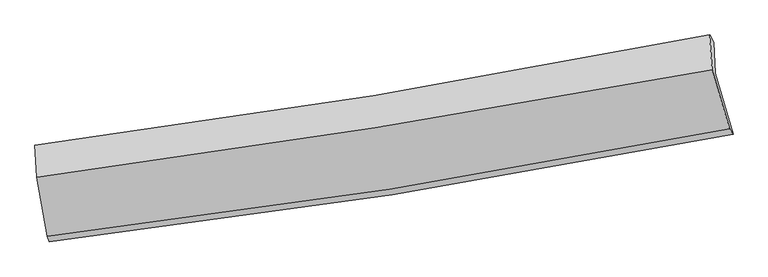
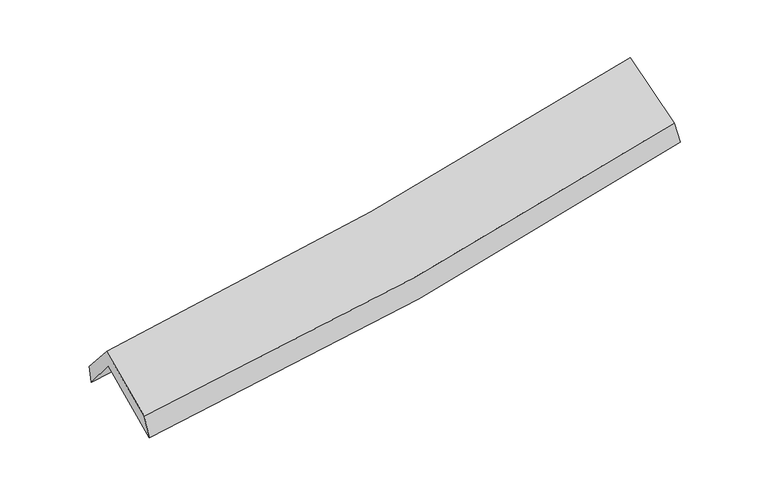
"""IFC4 building model written with IfcOpenShell, lengths in millimetres: proxy geometry."""

from ifc_helpers import new_model, si_unit, frame, origin, place, context, project, spatial, source, transform, mapped, element, save
from ifc_brep_helpers import plane_surface, spline_curve, spline_surface, advanced_brep


def generic_models_3b901fbd(model_context):
    return source(origin(), model_context, "Body", "AdvancedBrep", [
        advanced_brep(
        [(-2708.0841978, -2514.1841819, 1460.3139955), (-2800.4691049, -1997.1867999, 1909.3836009), (2731.7840938, -1137.0897777, 2383.2239467), (2876.9312024, -1635.2521167, 1967.2222599), (-2813.8714652, -1737.1655541, 1585.1752016), (2719.9054319, -886.3860086, 2070.0239238), (-2824.8246202, -1727.5508351, 1747.1731264), (2685.9959297, -825.494772, 2258.9952216), (-2810.266151, -1986.388711, 2049.6566959), (2705.5490964, -1107.9861864, 2559.2106155), (-2725.5474776, -2468.0129442, 1653.6935258), (2848.0294705, -1591.7146718, 2142.1163781)],
        [
            (0, 1),
            (1, 2, spline_curve(3, [(-2800.4691049, -1997.1867999, 1909.3836009), (-1872.09257096, -1892.52406937, 1959.116219205), (-947.820215623, -1768.704307865, 2023.358429004), (896.297989265, -1482.163093, 2181.185698348), (1816.110033484, -1319.283847592, 2274.890270301), (2731.7840938, -1137.0897777, 2383.2239467)], [4, 2, 4], [0.0, 9.249491364562612, 18.536997744966655])),
            (2, 3),
            (3, 0, spline_curve(3, [(2876.9312024, -1635.2521167, 1967.2222599), (1953.950097992, -1819.261628157, 1843.544873459), (1026.077121336, -1984.622764519, 1739.417205642), (-835.634642649, -2277.447771369, 1570.607496108), (-1769.433466362, -2405.063990139, 1505.765742321), (-2708.0841978, -2514.1841819, 1460.3139955)], [4, 2, 4], [0.0, 9.287506380404043, 18.536997744966655])),
            (1, 4),
            (4, 5, spline_curve(3, [(-2813.8714652, -1737.1655541, 1585.1752016), (-1885.5281392, -1628.671360511, 1630.316232993), (-961.145967423, -1503.705213527, 1693.171547313), (883.478958831, -1220.247707899, 1854.641878702), (1803.689086244, -1061.620673156, 1953.402805224), (2719.9054319, -886.3860086, 2070.0239238)], [4, 2, 4], [0.0, 9.202712906111335, 18.4432485705908])),
            (5, 2),
            (4, 6),
            (6, 7, spline_curve(3, [(-2824.8246202, -1727.5508351, 1747.1731264), (-1900.226243026, -1606.727113241, 1797.674891506), (-979.625576353, -1471.32802436, 1865.454640497), (857.347535292, -1170.76272441, 2035.919689965), (1773.687051827, -1005.476458898, 2138.747306018), (2685.9959297, -825.494772, 2258.9952216)], [4, 2, 4], [0.0, 9.19326223310289, 18.424308382710077])),
            (7, 5),
            (6, 8),
            (8, 9, spline_curve(3, [(-2810.266151, -1986.388711, 2049.6566959), (-1886.32394078, -1863.80134286, 2103.063885353), (-965.637510671, -1729.481674344, 2172.111085392), (872.994388793, -1436.777469681, 2341.833568241), (1790.91304139, -1278.296296395, 2442.637674672), (2705.5490964, -1107.9861864, 2559.2106155)], [4, 2, 4], [0.0, 9.183521109218807, 18.404786099337336])),
            (9, 7),
            (8, 10),
            (10, 11, spline_curve(3, [(-2725.5474776, -2468.0129442, 1653.6935258), (-1789.604706398, -2357.830210222, 1699.297214521), (-858.111938019, -2229.900214225, 1762.680955477), (999.783698327, -1937.946971045, 1925.34212226), (1926.149912945, -1773.777542811, 2024.765998401), (2848.0294705, -1591.7146718, 2142.1163781)], [4, 2, 4], [0.0, 9.229330539586238, 18.496593234881317])),
            (11, 9),
            (10, 0),
            (3, 11),
        ],
        [
            spline_surface(3, 3, [[(-2708.0841978, -2514.1841819, 1460.3139955), (-1769.433466439, -2405.063990157, 1505.765742371), (-835.634642794, -2277.447771389, 1570.607496016), (1026.077121482, -1984.622764499, 1739.417205734), (1953.950097937, -1819.261628243, 1843.54487358), (2876.9312024, -1635.2521167, 1967.2222599)], [(-2738.87916683, -2341.851721206, 1610.003863958), (-1803.653167918, -2234.217349913, 1656.882567984), (-873.029833759, -2107.866616844, 1721.524473699), (982.817410726, -1817.136207382, 1886.673369922), (1908.003409842, -1652.602367998, 1987.326672524), (2828.548832896, -1469.198003724, 2105.889488836)], [(-2769.67413587, -2169.519260594, 1759.693732442), (-1837.872869407, -2063.370709749, 1807.999393624), (-910.425024666, -1938.285462281, 1872.441451376), (939.557700028, -1649.649650246, 2033.929534104), (1862.056721659, -1485.943107683, 2131.108471461), (2780.166463304, -1303.143890676, 2244.556717764)], [(-2800.4691049, -1997.1867999, 1909.3836009), (-1872.092570887, -1892.524069505, 1959.116219237), (-947.820215631, -1768.704307737, 2023.358429059), (896.297989273, -1482.163093129, 2181.185698292), (1816.110033564, -1319.283847438, 2274.890270405), (2731.7840938, -1137.0897777, 2383.2239467)]], [4, 4], [4, 2, 4], [0.0, 2.2499157784981536], [0.0, 9.249491364562612, 18.536997744966655]),
            spline_surface(3, 3, [[(-2800.4691049, -1997.1867999, 1909.3836009), (-1872.092570887, -1892.524069505, 1959.116219237), (-947.820215631, -1768.704307737, 2023.358429059), (896.297989273, -1482.163093129, 2181.185698292), (1816.110033564, -1319.283847438, 2274.890270405), (2731.7840938, -1137.0897777, 2383.2239467)], [(-2804.936558322, -1910.513051317, 1801.314134468), (-1876.571093648, -1804.573166522, 1849.516223832), (-952.262132878, -1680.371276314, 1913.296135111), (892.024979148, -1394.857964732, 2072.33775847), (1811.969717736, -1233.396122663, 2167.72778206), (2727.82453981, -1053.521854662, 2278.82393907)], [(-2809.404011778, -1823.839302683, 1693.244668032), (-1881.049616442, -1716.622263489, 1739.916228421), (-956.704050184, -1592.038244901, 1803.23384115), (887.751968964, -1307.552836345, 1963.489818636), (1807.829401978, -1147.508397903, 2060.565293705), (2723.86498589, -969.953931638, 2174.42393143)], [(-2813.8714652, -1737.1655541, 1585.1752016), (-1885.528139203, -1628.671360506, 1630.316233016), (-961.145967431, -1503.705213479, 1693.171547201), (883.478958839, -1220.247707948, 1854.641878813), (1803.68908615, -1061.620673127, 1953.40280536), (2719.9054319, -886.3860086, 2070.0239238)]], [4, 4], [4, 2, 4], [0.0, 1.3818377994933373], [0.0, 9.202712906111335, 18.4432485705908]),
            spline_surface(3, 3, [[(-2813.8714652, -1737.1655541, 1585.1752016), (-1885.528139203, -1628.671360506, 1630.316233016), (-961.145967431, -1503.705213479, 1693.171547201), (883.478958839, -1220.247707948, 1854.641878813), (1803.68908615, -1061.620673127, 1953.40280536), (2719.9054319, -886.3860086, 2070.0239238)], [(-2817.522516891, -1733.96064777, 1639.17450987), (-1890.427507173, -1621.356611379, 1686.102452483), (-967.305837083, -1492.912817092, 1750.599244933), (874.768484327, -1203.752713434, 1915.067815894), (1793.688408092, -1042.905935018, 2015.184305621), (2708.602264524, -866.088929706, 2133.014356406)], [(-2821.173568509, -1730.75574143, 1693.17381813), (-1895.326875071, -1614.041862241, 1741.888671941), (-973.465706724, -1482.120420728, 1808.026942671), (866.058009827, -1187.257718943, 1975.49375298), (1783.687729961, -1024.191196992, 2076.965805863), (2697.299097076, -845.791850894, 2196.004788994)], [(-2824.8246202, -1727.5508351, 1747.1731264), (-1900.226243041, -1606.727113114, 1797.674891408), (-979.625576376, -1471.328024341, 1865.454640403), (857.347535315, -1170.762724429, 2035.91969006), (1773.687051903, -1005.476458882, 2138.747306124), (2685.9959297, -825.494772, 2258.9952216)]], [4, 4], [4, 2, 4], [0.0, 0.5999032567965981], [0.0, 9.19326223310289, 18.424308382710077]),
            spline_surface(3, 3, [[(-2824.8246202, -1727.5508351, 1747.1731264), (-1900.226243041, -1606.727113114, 1797.674891408), (-979.625576376, -1471.328024341, 1865.454640403), (857.347535315, -1170.762724429, 2035.91969006), (1773.687051903, -1005.476458882, 2138.747306124), (2685.9959297, -825.494772, 2258.9952216)], [(-2819.971797112, -1813.830127046, 1848.000982897), (-1895.592142227, -1692.418523017, 1899.471222693), (-974.962887847, -1557.379241043, 1967.673455412), (862.563153181, -1259.434306163, 2137.890982781), (1779.429048435, -1096.416404779, 2240.044095609), (2692.513651931, -919.658576831, 2359.067019561)], [(-2815.118974088, -1900.109419054, 1948.828839403), (-1890.958041478, -1778.109932983, 2001.267553989), (-970.300199318, -1643.430457718, 2069.892270411), (867.778771046, -1348.10588787, 2239.862275491), (1785.171044973, -1187.356350583, 2341.34088511), (2699.031374169, -1013.822381569, 2459.138817539)], [(-2810.266151, -1986.388711, 2049.6566959), (-1886.323940664, -1863.801342886, 2103.063885274), (-965.637510789, -1729.48167442, 2172.111085421), (872.994388911, -1436.777469604, 2341.833568211), (1790.913041504, -1278.29629648, 2442.637674595), (2705.5490964, -1107.9861864, 2559.2106155)]], [4, 4], [4, 2, 4], [0.0, 1.3234678334493888], [0.0, 9.183521109218807, 18.404786099337336]),
            spline_surface(3, 3, [[(-2810.266151, -1986.388711, 2049.6566959), (-1886.323940664, -1863.801342886, 2103.063885274), (-965.637510789, -1729.48167442, 2172.111085421), (872.994388911, -1436.777469604, 2341.833568211), (1790.913041504, -1278.29629648, 2442.637674595), (2705.5490964, -1107.9861864, 2559.2106155)], [(-2782.026593203, -2146.930122084, 1917.668972535), (-1854.084195875, -2028.477632024, 1968.474995021), (-929.795653221, -1896.287854368, 2035.634375466), (915.257492077, -1603.833970033, 2203.003086191), (1835.991998627, -1443.456711888, 2303.347115913), (2753.042554408, -1269.229014851, 2420.179203047)], [(-2753.787035397, -2307.471533116, 1785.681249165), (-1821.844451078, -2193.15392111, 1833.886104764), (-893.95379566, -2063.094034373, 1899.157665527), (957.520595235, -1770.890470519, 2064.172604186), (1881.070955827, -1608.617127344, 2164.056557192), (2800.536012492, -1430.471843349, 2281.147790553)], [(-2725.5474776, -2468.0129442, 1653.6935258), (-1789.604706289, -2357.830210248, 1699.297214511), (-858.111938091, -2229.900214321, 1762.680955571), (999.7836984, -1937.946970949, 1925.342122165), (1926.149912949, -1773.777542752, 2024.765998511), (2848.0294705, -1591.7146718, 2142.1163781)]], [4, 4], [4, 2, 4], [0.0, 2.1640609664016015], [0.0, 9.229330539586238, 18.496593234881317]),
            spline_surface(3, 3, [[(-2725.5474776, -2468.0129442, 1653.6935258), (-1789.604706289, -2357.830210248, 1699.297214511), (-858.111938091, -2229.900214321, 1762.680955571), (999.7836984, -1937.946970949, 1925.342122165), (1926.14991295, -1773.777542752, 2024.765998511), (2848.0294705, -1591.7146718, 2142.1163781)], [(-2719.726384342, -2483.403356777, 1589.233682373), (-1782.880959681, -2373.574803561, 1634.786723804), (-850.619506324, -2245.749400025, 1698.65646905), (1008.548172762, -1953.505568813, 1863.367150019), (1935.416641277, -1788.938904576, 1964.358956848), (2857.663381132, -1606.227153427, 2083.818338681)], [(-2713.905291058, -2498.793769323, 1524.773838927), (-1776.157213047, -2389.319396843, 1570.276233078), (-843.127074561, -2261.598585685, 1634.631982537), (1017.31264712, -1969.064166635, 1801.392177881), (1944.683369609, -1804.100266419, 1903.951915243), (2867.297291768, -1620.739635073, 2025.520299319)], [(-2708.0841978, -2514.1841819, 1460.3139955), (-1769.433466439, -2405.063990157, 1505.765742371), (-835.634642794, -2277.447771389, 1570.607496016), (1026.077121482, -1984.622764499, 1739.417205734), (1953.950097937, -1819.261628243, 1843.54487358), (2876.9312024, -1635.2521167, 1967.2222599)]], [4, 4], [4, 2, 4], [0.0, 0.644000433755414], [0.0, 9.286061338490992, 18.610287993859806]),
            plane_surface(frame((2761.3658708, -1197.3205889, 2230.1320576), z_axis=(0.9753480348790003, 0.1888428338393177, 0.11416915067218522), x_axis=(0.21772110302502778, -0.7391747819129898, -0.6373524637760877))),
            plane_surface(frame((-2780.5105028, -2071.748171, 1734.232691), z_axis=(-0.9903361366531905, -0.12526416694215475, -0.059524994070737525), x_axis=(-0.08749991230445714, 0.23134138058824658, 0.9689297864005608))),
        ],
        [
            (0, [[1, 2, 3, 4]]),
            (1, [[5, 6, 7, -2]]),
            (2, [[8, 9, 10, -6]]),
            (3, [[11, 12, 13, -9]]),
            (4, [[14, 15, 16, -12]]),
            (5, [[17, -4, 18, -15]]),
            (6, [[-16, -18, -3, -7, -10, -13]]),
            (7, [[-17, -14, -11, -8, -5, -1]]),
        ],
    ),
    ])


if __name__ == "__main__":
    model = new_model("IFC4")
    model_context = context("Model", 3, world=origin())
    ifc_project = project(units=[si_unit("LENGTHUNIT", "METRE", prefix="MILLI")], contexts=[model_context])
    site = spatial("IfcSite", under=ifc_project)
    building = spatial("IfcBuilding", under=site)
    placement = place(None, origin())
    generic_models_shape = generic_models_3b901fbd(model_context)
    element("IfcBuildingElementProxy", 1, Name="Generic Models", at=placement, inside=building, context=model_context, shape_type="MappedRepresentation", body=[
        mapped(generic_models_shape, transform((0.0, 0.0, 0.0), x_axis=(1.0, 0.0, 0.0), y_axis=(0.0, 1.0, 0.0), z_axis=(0.0, 0.0, 1.0))),
    ])
    save(model, "model.ifc")
